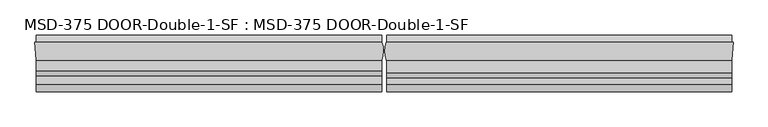
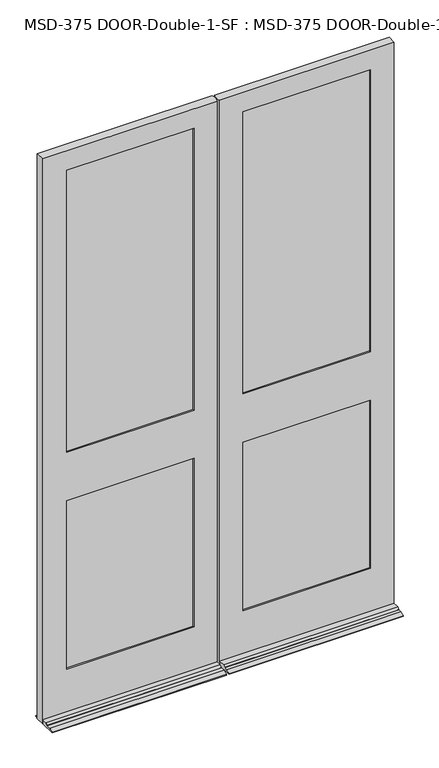
"""IFC4 building model written with IfcOpenShell, lengths in millimetres: plate geometry, MSD-375 DOOR-Double-1-SF : MSD-375 DOOR-Double-1-SF."""

from ifc_helpers import new_model, si_unit, frame, origin, place, context, project, spatial, polyline, circle_curve, outline, extrude, source, transform, mapped, element, save
from ifc_brep_helpers import plane_surface, cylinder_surface, advanced_brep


def msd_375_door_double_1_sf_msd_375_door_double_1_sf_9dd12433(model_context):
    return source(origin(), model_context, "Body", "SolidModel", [
        advanced_brep(
        [(-875.054504, -44.45, 0.0), (-877.823104, 0.0, 0.0), (-874.8316614, 0.0, 0.0), (-874.8316614, 19.05, 0.0), (-6.1450388, 19.05, 0.0), (-6.1450388, 0.0, 0.0), (-5.5889985, 0.0, 0.0), (-6.1450388, -44.45, 0.0), (-6.1450388, -123.825, 0.0), (-874.8316614, -123.825, 0.0), (-874.8316614, -44.45, 0.0), (-6.1450388, -44.45, 21.4376), (-6.1450388, -70.3199, 21.4376), (-6.1450388, -82.7405, 14.2748), (-6.1450388, -82.7405, 12.7), (-6.1450388, -104.775, 12.7), (-6.1450388, -123.825, 3.175), (-6.1450388, 19.05, 3.175), (-6.1450388, 0.0, 12.7), (-874.8316614, 0.0, 12.7), (-874.8316614, 19.05, 3.175), (-874.8316614, -123.825, 3.175), (-874.8316614, -104.775, 12.7), (-874.8316614, -82.7405, 12.7), (-874.8316614, -82.7405, 14.2748), (-874.8316614, -70.3199, 21.4376), (-874.8316614, -44.45, 21.4376), (-122.2373508, -11.6078, 1366.0374), (-122.2373508, -37.0078, 1366.0374), (-122.2373508, -37.0078, 1151.7122), (-122.2373508, -11.6078, 1151.7122), (-122.2373508, 0.0, 1131.8748), (-122.2373508, 0.0, 246.0625), (-122.2373508, -11.6078, 246.0625), (-122.2373508, -11.6078, 1131.8748), (-122.2373508, -11.6078, 1385.8748), (-122.2373508, -11.6078, 2870.2), (-122.2373508, 0.0, 2870.2), (-122.2373508, 0.0, 1385.8748), (-102.3999508, -37.0078, 2890.0374), (-102.3999508, -11.6078, 2890.0374), (-102.3999508, -11.6078, 226.21875), (-102.3999508, -37.0078, 226.21875), (-122.2373508, -37.0078, 1131.8748), (-122.2373508, -37.0078, 246.0625), (-122.2373508, -44.45, 246.0625), (-122.2373508, -44.45, 1131.8748), (-122.2373508, -44.45, 1385.8748), (-122.2373508, -44.45, 2870.2), (-122.2373508, -37.0078, 2870.2), (-122.2373508, -37.0078, 1385.8748), (-757.173104, -44.45, 246.0625), (-757.173104, -37.0078, 246.0625), (-757.173104, -37.0078, 1131.8748), (-757.173104, -44.45, 1131.8748), (-757.173104, -37.0078, 2870.2), (-757.173104, -44.45, 2870.2), (-757.173104, -44.45, 1385.8748), (-757.173104, -37.0078, 1385.8748), (-777.010504, -11.6078, 2890.0374), (-777.010504, -37.0078, 2890.0374), (-777.010504, -37.0078, 226.21875), (-777.010504, -11.6078, 226.21875), (-757.173104, -11.6078, 246.0625), (-757.173104, 0.0, 246.0625), (-757.173104, 0.0, 1131.8748), (-757.173104, -11.6078, 1131.8748), (-757.173104, 0.0, 2870.2), (-757.173104, -11.6078, 2870.2), (-757.173104, -11.6078, 1385.8748), (-757.173104, 0.0, 1385.8748), (-757.173104, -11.6078, 1366.0374), (-757.173104, -37.0078, 1366.0374), (-757.173104, -37.0078, 1151.7122), (-757.173104, -11.6078, 1151.7122), (-5.5889985, 0.0, 2971.8), (-6.1450388, -44.45, 2971.8), (-875.054504, -44.45, 2971.8), (-877.823104, 0.0, 2971.8)],
        [
            (0, 1),
            (1, 2),
            (2, 3),
            (3, 4),
            (4, 5),
            (5, 6),
            (6, 7, circle_curve(frame((-61.4514685, -21.529675, 0.0), z_axis=(0.0, 0.0, -1.0), x_axis=(0.0, -1.0, 0.0)), 59.867708)),
            (7, 8),
            (8, 9),
            (9, 10),
            (10, 0),
            (11, 12),
            (12, 13),
            (13, 14),
            (14, 15),
            (15, 16),
            (16, 8),
            (7, 11),
            (4, 17),
            (17, 18),
            (18, 5),
            (19, 20),
            (20, 3),
            (2, 19),
            (9, 21),
            (21, 22),
            (22, 23),
            (23, 24),
            (24, 25),
            (25, 26),
            (26, 10),
            (27, 28),
            (28, 29),
            (29, 30),
            (30, 27),
            (31, 32),
            (32, 33),
            (33, 34),
            (34, 31),
            (35, 36),
            (36, 37),
            (37, 38),
            (38, 35),
            (39, 40),
            (40, 41),
            (41, 42),
            (42, 39),
            (43, 44),
            (44, 45),
            (45, 46),
            (46, 43),
            (47, 48),
            (48, 49),
            (49, 50),
            (50, 47),
            (51, 52),
            (52, 53),
            (53, 54),
            (54, 51),
            (55, 56),
            (56, 57),
            (57, 58),
            (58, 55),
            (59, 60),
            (60, 61),
            (61, 62),
            (62, 59),
            (63, 64),
            (64, 65),
            (65, 66),
            (66, 63),
            (67, 68),
            (68, 69),
            (69, 70),
            (70, 67),
            (63, 33),
            (32, 64),
            (61, 42),
            (41, 62),
            (51, 45),
            (44, 52),
            (11, 26),
            (25, 12),
            (24, 13),
            (23, 14),
            (22, 15),
            (21, 16),
            (20, 17),
            (19, 18),
            (38, 70),
            (69, 35),
            (27, 71),
            (71, 72),
            (72, 28),
            (50, 58),
            (57, 47),
            (46, 54),
            (53, 43),
            (29, 73),
            (73, 74),
            (74, 30),
            (34, 66),
            (65, 31),
            (75, 76, circle_curve(frame((-61.4514685, -21.529675, 2971.8), z_axis=(0.0, 0.0, -1.0), x_axis=(0.0, -1.0, 0.0)), 59.867708)),
            (76, 11),
            (6, 75),
            (77, 78),
            (78, 1),
            (0, 77),
            (78, 75),
            (37, 67),
            (36, 68),
            (40, 59),
            (74, 71),
            (39, 60),
            (49, 55),
            (72, 73),
            (48, 56),
            (76, 77),
        ],
        [
            plane_surface(frame((-882.6502713, -24.3078, 0.0), z_axis=(0.0, 0.0, -1.0), x_axis=(0.0, -1.0, 0.0))),
            plane_surface(frame((-6.1450388, -24.3078, 0.0), z_axis=(1.0, 0.0, 0.0), x_axis=(0.0, -1.0, 0.0))),
            plane_surface(frame((-874.8316614, -24.3078, 0.0), z_axis=(-1.0, 0.0, 0.0), x_axis=(0.0, -1.0, 0.0))),
            plane_surface(frame((-122.2373508, -24.3078, 1492.25), z_axis=(1.0, 0.0, 0.0), x_axis=(0.0, -1.0, 0.0))),
            plane_surface(frame((-122.2373508, 0.0, 2971.8), z_axis=(-1.0, 0.0, 0.0), x_axis=(0.0, 0.0, -1.0))),
            plane_surface(frame((-102.3999508, -11.6078, 2971.8), z_axis=(-1.0, 0.0, 0.0), x_axis=(0.0, 0.0, -1.0))),
            plane_surface(frame((-122.2373508, -37.0078, 2971.8), z_axis=(-1.0, 0.0, 0.0), x_axis=(0.0, 0.0, -1.0))),
            plane_surface(frame((-757.173104, -44.45, 2971.8), z_axis=(1.0, 0.0, 0.0), x_axis=(0.0, 0.0, -1.0))),
            plane_surface(frame((-777.010504, -37.0078, 2971.8), z_axis=(1.0, 0.0, 0.0), x_axis=(0.0, 0.0, -1.0))),
            plane_surface(frame((-757.173104, -11.6078, 2971.8), z_axis=(1.0, 0.0, 0.0), x_axis=(0.0, 0.0, -1.0))),
            plane_surface(frame((-6.1450388, 0.0, 246.0625), z_axis=(0.0, 0.0, 1.0), x_axis=(-1.0, 0.0, 0.0))),
            plane_surface(frame((-6.1450388, -11.6078, 226.21875), z_axis=(0.0, 0.0, 1.0), x_axis=(-1.0, 0.0, 0.0))),
            plane_surface(frame((-6.1450388, -37.0078, 246.0625), z_axis=(0.0, 0.0, 1.0), x_axis=(-1.0, 0.0, 0.0))),
            plane_surface(frame((-6.1450388, -44.45, 21.4376), z_axis=(0.0, 0.0, 1.0), x_axis=(-1.0, 0.0, 0.0))),
            plane_surface(frame((-6.1450388, -70.3199, 21.4376), z_axis=(0.0, -0.499569084188723, 0.8662740502420933), x_axis=(-1.0, 0.0, 0.0))),
            plane_surface(frame((-6.1450388, -82.7405, 14.2748), z_axis=(0.0, -1.0, 0.0), x_axis=(-1.0, 0.0, 0.0))),
            plane_surface(frame((-6.1450388, -82.7405, 12.7), z_axis=(0.0, 0.0, 1.0), x_axis=(-1.0, 0.0, 0.0))),
            plane_surface(frame((-6.1450388, -104.775, 12.7), z_axis=(0.0, -0.44721359549995665, 0.8944271909999165), x_axis=(-1.0, 0.0, 0.0))),
            plane_surface(frame((-6.1450388, -123.825, 3.175), z_axis=(0.0, -1.0, 0.0), x_axis=(-1.0, 0.0, 0.0))),
            plane_surface(frame((-6.1450388, 19.05, 0.0), z_axis=(0.0, 1.0, 0.0), x_axis=(-1.0, 0.0, 0.0))),
            plane_surface(frame((-6.1450388, 19.05, 3.175), z_axis=(0.0, 0.4472135954998658, 0.8944271909999619), x_axis=(-1.0, 0.0, 0.0))),
            plane_surface(frame((-122.2373508, 0.0, 1385.8748), z_axis=(0.0, 0.0, 1.0), x_axis=(-1.0, 0.0, 0.0))),
            plane_surface(frame((-122.2373508, -11.6078, 1366.0374), z_axis=(0.0, 0.0, 1.0), x_axis=(-1.0, 0.0, 0.0))),
            plane_surface(frame((-122.2373508, -37.0078, 1385.8748), z_axis=(0.0, 0.0, 1.0), x_axis=(-1.0, 0.0, 0.0))),
            plane_surface(frame((-122.2373508, -44.45, 1131.8748), z_axis=(0.0, 0.0, -1.0), x_axis=(-1.0, 0.0, 0.0))),
            plane_surface(frame((-122.2373508, -37.0078, 1151.7122), z_axis=(0.0, 0.0, -1.0), x_axis=(-1.0, 0.0, 0.0))),
            plane_surface(frame((-122.2373508, -11.6078, 1131.8748), z_axis=(0.0, 0.0, -1.0), x_axis=(-1.0, 0.0, 0.0))),
            cylinder_surface(frame((-61.4514685, -21.529675, 2971.8), z_axis=(0.0, 0.0, 1.0), x_axis=(0.0, -1.0, 0.0)), 59.867708),
            plane_surface(frame((-877.823104, 0.0, 2971.8), z_axis=(-0.9980658706879192, -0.06216524565998223, 0.0), x_axis=(0.0, 0.0, -1.0))),
            plane_surface(frame((-875.054504, 0.0, 2971.8), z_axis=(0.0, 1.0, 0.0), x_axis=(1.0, 0.0, 0.0))),
            plane_surface(frame((-875.054504, 0.0, 2870.2), z_axis=(0.0, 0.0, -1.0), x_axis=(1.0, 0.0, 0.0))),
            plane_surface(frame((-875.054504, -11.6078, 2870.2), z_axis=(0.0, -1.0, 0.0), x_axis=(1.0, 0.0, 0.0))),
            plane_surface(frame((-875.054504, -11.6078, 2890.0374), z_axis=(0.0, 0.0, -1.0), x_axis=(1.0, 0.0, 0.0))),
            plane_surface(frame((-875.054504, -37.0078, 2890.0374), z_axis=(0.0, 1.0, 0.0), x_axis=(1.0, 0.0, 0.0))),
            plane_surface(frame((-875.054504, -37.0078, 2870.2), z_axis=(0.0, 0.0, -1.0), x_axis=(1.0, 0.0, 0.0))),
            plane_surface(frame((-875.054504, -44.45, 2870.2), z_axis=(0.0, -1.0, 0.0), x_axis=(1.0, 0.0, 0.0))),
            plane_surface(frame((-875.054504, -44.45, 2971.8), z_axis=(0.0, 0.0, 1.0), x_axis=(1.0, 0.0, 0.0))),
            plane_surface(frame((-757.173104, -24.3078, 1492.25), z_axis=(-1.0, 0.0, 0.0), x_axis=(0.0, -1.0, 0.0))),
        ],
        [
            (0, [[1, 2, 3, 4, 5, 6, 7, 8, 9, 10, 11]]),
            (1, [[12, 13, 14, 15, 16, 17, -8, 18]]),
            (1, [[19, 20, 21, -5]]),
            (2, [[22, 23, -3, 24]]),
            (2, [[25, 26, 27, 28, 29, 30, 31, -10]]),
            (3, [[32, 33, 34, 35]]),
            (4, [[36, 37, 38, 39]]),
            (4, [[40, 41, 42, 43]]),
            (5, [[44, 45, 46, 47]]),
            (6, [[48, 49, 50, 51]]),
            (6, [[52, 53, 54, 55]]),
            (7, [[56, 57, 58, 59]]),
            (7, [[60, 61, 62, 63]]),
            (8, [[64, 65, 66, 67]]),
            (9, [[68, 69, 70, 71]]),
            (9, [[72, 73, 74, 75]]),
            (10, [[-68, 76, -37, 77]]),
            (11, [[-66, 78, -46, 79]]),
            (12, [[-56, 80, -49, 81]]),
            (13, [[-12, 82, -30, 83]]),
            (14, [[-13, -83, -29, 84]]),
            (15, [[-14, -84, -28, 85]]),
            (16, [[-15, -85, -27, 86]]),
            (17, [[-16, -86, -26, 87]]),
            (18, [[-17, -87, -25, -9]]),
            (19, [[-19, -4, -23, 88]]),
            (20, [[-20, -88, -22, 89]]),
            (21, [[90, -74, 91, -43]]),
            (22, [[-32, 92, 93, 94]]),
            (23, [[95, -62, 96, -55]]),
            (24, [[97, -58, 98, -51]]),
            (25, [[-34, 99, 100, 101]]),
            (26, [[102, -70, 103, -39]]),
            (27, [[104, 105, -18, -7, 106]]),
            (28, [[107, 108, -1, 109]]),
            (29, [[-108, 110, -106, -6, -21, -89, -24, -2], [-90, -42, 111, -75], [-103, -69, -77, -36]]),
            (30, [[-72, -111, -41, 112]]),
            (31, [[-67, -79, -45, 113], [-92, -35, -101, 114], [-102, -38, -76, -71], [-91, -73, -112, -40]]),
            (32, [[-64, -113, -44, 115]]),
            (33, [[-65, -115, -47, -78], [-95, -54, 116, -63], [-94, 117, -99, -33], [-98, -57, -81, -48]]),
            (34, [[-60, -116, -53, 118]]),
            (35, [[-109, -11, -31, -82, -105, 119], [-97, -50, -80, -59], [-96, -61, -118, -52]]),
            (36, [[-107, -119, -104, -110]]),
            (37, [[-100, -117, -93, -114]]),
        ],
    ),
        advanced_brep(
        [(6.1450388, -44.45, 0.0), (5.5889985, 0.0, 0.0), (6.1450388, 0.0, 0.0), (6.1450388, 19.05, 0.0), (874.3190707, 19.05, 0.0), (874.3190707, 0.0, 0.0), (877.3105133, 0.0, 0.0), (874.5419133, -44.45, 0.0), (874.3190707, -44.45, 0.0), (874.3190707, -123.825, 0.0), (6.1450388, -123.825, 0.0), (874.3190707, -44.45, 21.4376), (874.3190707, -75.87615, 21.4376), (874.3190707, -88.29675, 14.2748), (874.3190707, -88.29675, 12.7), (874.3190707, -104.775, 12.7), (874.3190707, -123.825, 3.175), (874.3190707, 19.05, 3.175), (874.3190707, 0.0, 12.7), (6.1450388, 0.0, 12.7), (6.1450388, 19.05, 3.175), (6.1450388, -123.825, 3.175), (6.1450388, -104.775, 12.7), (6.1450388, -88.29675, 12.7), (6.1450388, -88.29675, 14.2748), (6.1450388, -75.87615, 21.4376), (6.1450388, -44.45, 21.4376), (5.5889985, -44.45, 2870.2), (5.5889985, -44.45, 2971.8), (5.5889985, -43.05935, 2971.8), (5.5889985, -43.05935, 2870.2), (122.2376492, -37.0078, 1366.0374), (122.2376492, -11.6078, 1366.0374), (122.2376492, -11.6078, 1151.7249), (122.2376492, -37.0078, 1151.7249), (122.2376492, -37.0078, 2870.2), (122.2376492, -44.45, 2870.2), (122.2376492, -44.45, 1385.8748), (122.2376492, -37.0078, 1385.8748), (122.2376492, -37.0078, 1131.8748), (122.2376492, -44.45, 1131.8748), (122.2376492, -44.45, 246.0625), (122.2376492, -37.0078, 246.0625), (102.4002492, -11.6078, 226.21875), (102.4002492, -11.6078, 2890.0374), (102.4002492, -37.0078, 2890.0374), (102.4002492, -37.0078, 226.21875), (122.2376492, 0.0, 2870.2), (122.2376492, -11.6078, 2870.2), (122.2376492, -11.6078, 1385.8748), (122.2376492, 0.0, 1385.8748), (122.2376492, 0.0, 1131.8748), (122.2376492, -11.6078, 1131.8748), (122.2376492, -11.6078, 246.0625), (122.2376492, 0.0, 246.0625), (756.6605133, -11.6078, 2870.2), (756.6605133, 0.0, 2870.2), (756.6605133, 0.0, 1385.8748), (756.6605133, -11.6078, 1385.8748), (756.6605133, -11.6078, 1131.8748), (756.6605133, 0.0, 1131.8748), (756.6605133, 0.0, 246.0625), (756.6605133, -11.6078, 246.0625), (776.4979133, -11.6078, 2890.0374), (776.4979133, -11.6078, 226.21875), (756.6605133, -11.6078, 1151.7249), (756.6605133, -11.6078, 1366.0374), (776.4979133, -37.0078, 226.21875), (776.4979133, -37.0078, 2890.0374), (756.6605133, -37.0078, 246.0625), (756.6605133, -37.0078, 1131.8748), (756.6605133, -37.0078, 2870.2), (756.6605133, -37.0078, 1385.8748), (756.6605133, -37.0078, 1151.7249), (756.6605133, -37.0078, 1366.0374), (756.6605133, -44.45, 2870.2), (756.6605133, -44.45, 1385.8748), (756.6605133, -44.45, 1131.8748), (756.6605133, -44.45, 246.0625), (6.1450388, -44.45, 2870.2), (874.5419133, -44.45, 2971.8), (877.3105133, 0.0, 2971.8), (5.5889985, 0.0, 2971.8)],
        [
            (0, 1, circle_curve(frame((61.4514685, -21.529675, 0.0), z_axis=(0.0, 0.0, -1.0), x_axis=(0.0, -1.0, 0.0)), 59.867708)),
            (1, 2),
            (2, 3),
            (3, 4),
            (4, 5),
            (5, 6),
            (6, 7),
            (7, 8),
            (8, 9),
            (9, 10),
            (10, 0),
            (11, 12),
            (12, 13),
            (13, 14),
            (14, 15),
            (15, 16),
            (16, 9),
            (8, 11),
            (4, 17),
            (17, 18),
            (18, 5),
            (19, 20),
            (20, 3),
            (2, 19),
            (10, 21),
            (21, 22),
            (22, 23),
            (23, 24),
            (24, 25),
            (25, 26),
            (26, 0),
            (27, 28),
            (28, 29),
            (29, 30),
            (30, 27),
            (31, 32),
            (32, 33),
            (33, 34),
            (34, 31),
            (35, 36),
            (36, 37),
            (37, 38),
            (38, 35),
            (39, 40),
            (40, 41),
            (41, 42),
            (42, 39),
            (43, 44),
            (44, 45),
            (45, 46),
            (46, 43),
            (47, 48),
            (48, 49),
            (49, 50),
            (50, 47),
            (51, 52),
            (52, 53),
            (53, 54),
            (54, 51),
            (55, 56),
            (56, 57),
            (57, 58),
            (58, 55),
            (59, 60),
            (60, 61),
            (61, 62),
            (62, 59),
            (63, 44),
            (43, 64),
            (64, 63),
            (62, 53),
            (52, 59),
            (48, 55),
            (58, 49),
            (65, 33),
            (32, 66),
            (66, 65),
            (67, 68),
            (68, 63),
            (64, 67),
            (45, 68),
            (67, 46),
            (42, 69),
            (69, 70),
            (70, 39),
            (71, 35),
            (38, 72),
            (72, 71),
            (34, 73),
            (73, 74),
            (74, 31),
            (75, 71),
            (72, 76),
            (76, 75),
            (77, 70),
            (69, 78),
            (78, 77),
            (27, 79),
            (79, 26),
            (26, 11),
            (7, 80),
            (80, 28),
            (78, 41),
            (40, 77),
            (36, 75),
            (76, 37),
            (81, 80),
            (6, 81),
            (18, 19),
            (1, 82),
            (82, 81),
            (54, 61),
            (60, 51),
            (56, 47),
            (50, 57),
            (30, 79, circle_curve(frame((61.4514685, -21.529675, 2870.2), z_axis=(0.0, 0.0, 1.0), x_axis=(0.0, -1.0, 0.0)), 59.867708)),
            (25, 12),
            (65, 73),
            (74, 66),
            (29, 82, circle_curve(frame((61.4514685, -21.529675, 2971.8), z_axis=(0.0, 0.0, -1.0), x_axis=(0.0, -1.0, 0.0)), 59.867708)),
            (24, 13),
            (23, 14),
            (22, 15),
            (21, 16),
            (20, 17),
        ],
        [
            plane_surface(frame((-882.6502713, -24.3078, 0.0), z_axis=(0.0, 0.0, -1.0), x_axis=(0.0, -1.0, 0.0))),
            plane_surface(frame((874.3190707, -24.3078, 0.0), z_axis=(1.0, 0.0, 0.0), x_axis=(0.0, -1.0, 0.0))),
            plane_surface(frame((6.1450388, -24.3078, 0.0), z_axis=(-1.0, 0.0, 0.0), x_axis=(0.0, -1.0, 0.0))),
            plane_surface(frame((5.5889985, -24.3078, 2984.5), z_axis=(-1.0, 0.0, 0.0), x_axis=(0.0, -1.0, 0.0))),
            plane_surface(frame((122.2376492, -24.3078, 1492.25), z_axis=(-1.0, 0.0, 0.0), x_axis=(0.0, -1.0, 0.0))),
            plane_surface(frame((122.2376492, -44.45, 2971.8), z_axis=(1.0, 0.0, 0.0), x_axis=(0.0, 0.0, -1.0))),
            plane_surface(frame((102.4002492, -37.0078, 2971.8), z_axis=(1.0, 0.0, 0.0), x_axis=(0.0, 0.0, -1.0))),
            plane_surface(frame((122.2376492, -11.6078, 2971.8), z_axis=(1.0, 0.0, 0.0), x_axis=(0.0, 0.0, -1.0))),
            plane_surface(frame((756.6605133, 0.0, 2971.8), z_axis=(-1.0, 0.0, 0.0), x_axis=(0.0, 0.0, -1.0))),
            plane_surface(frame((756.6605133, -11.6078, 2971.8), z_axis=(0.0, -1.0, 0.0), x_axis=(0.0, 0.0, -1.0))),
            plane_surface(frame((776.4979133, -11.6078, 2971.8), z_axis=(-1.0, 0.0, 0.0), x_axis=(0.0, 0.0, -1.0))),
            plane_surface(frame((776.4979133, -37.0078, 2971.8), z_axis=(0.0, 1.0, 0.0), x_axis=(0.0, 0.0, -1.0))),
            plane_surface(frame((756.6605133, -37.0078, 2971.8), z_axis=(-1.0, 0.0, 0.0), x_axis=(0.0, 0.0, -1.0))),
            plane_surface(frame((756.6605133, -44.45, 2971.8), z_axis=(0.0, -1.0, 0.0), x_axis=(0.0, 0.0, -1.0))),
            plane_surface(frame((874.5419133, -44.45, 2971.8), z_axis=(0.9980658706879184, -0.062165245659993755, 0.0), x_axis=(0.0, 0.0, -1.0))),
            plane_surface(frame((877.3105133, 0.0, 2971.8), z_axis=(0.0, 1.0, 0.0), x_axis=(0.0, 0.0, -1.0))),
            plane_surface(frame((5.5889985, 0.0, 2870.2), z_axis=(0.0, 0.0, -1.0), x_axis=(1.0, 0.0, 0.0))),
            plane_surface(frame((5.5889985, -11.6078, 2890.0374), z_axis=(0.0, 0.0, -1.0), x_axis=(1.0, 0.0, 0.0))),
            plane_surface(frame((5.5889985, -37.0078, 2870.2), z_axis=(0.0, 0.0, -1.0), x_axis=(1.0, 0.0, 0.0))),
            plane_surface(frame((874.3190707, 0.0, 246.0625), z_axis=(0.0, 0.0, 1.0), x_axis=(-1.0, 0.0, 0.0))),
            plane_surface(frame((874.3190707, -11.6078, 226.21875), z_axis=(0.0, 0.0, 1.0), x_axis=(-1.0, 0.0, 0.0))),
            plane_surface(frame((874.3190707, -37.0078, 246.0625), z_axis=(0.0, 0.0, 1.0), x_axis=(-1.0, 0.0, 0.0))),
            plane_surface(frame((874.3190707, -44.45, 21.4376), z_axis=(0.0, 0.0, 1.0), x_axis=(-1.0, 0.0, 0.0))),
            plane_surface(frame((756.6605133, -44.45, 1131.8748), z_axis=(0.0, 0.0, -1.0), x_axis=(-1.0, 0.0, 0.0))),
            plane_surface(frame((756.6605133, -37.0078, 1151.7249), z_axis=(0.0, 0.0, -1.0), x_axis=(-1.0, 0.0, 0.0))),
            plane_surface(frame((756.6605133, -11.6078, 1131.8748), z_axis=(0.0, 0.0, -1.0), x_axis=(-1.0, 0.0, 0.0))),
            plane_surface(frame((756.6605133, 0.0, 1385.8748), z_axis=(0.0, 0.0, 1.0), x_axis=(-1.0, 0.0, 0.0))),
            plane_surface(frame((756.6605133, -11.6078, 1366.0374), z_axis=(0.0, 0.0, 1.0), x_axis=(-1.0, 0.0, 0.0))),
            plane_surface(frame((756.6605133, -37.0078, 1385.8748), z_axis=(0.0, 0.0, 1.0), x_axis=(-1.0, 0.0, 0.0))),
            cylinder_surface(frame((61.4514685, -21.529675, 2971.8), z_axis=(0.0, 0.0, 1.0), x_axis=(0.0, -1.0, 0.0)), 59.867708),
            plane_surface(frame((-875.054504, -44.45, 2971.8), z_axis=(0.0, 0.0, 1.0), x_axis=(1.0, 0.0, 0.0))),
            plane_surface(frame((874.3190707, -75.87615, 21.4376), z_axis=(0.0, -0.49956908418867013, 0.8662740502421237), x_axis=(-1.0, 0.0, 0.0))),
            plane_surface(frame((874.3190707, -88.29675, 14.2748), z_axis=(0.0, -1.0, 0.0), x_axis=(-1.0, 0.0, 0.0))),
            plane_surface(frame((874.3190707, -88.29675, 12.7), z_axis=(0.0, 0.0, 1.0), x_axis=(-1.0, 0.0, 0.0))),
            plane_surface(frame((874.3190707, -104.775, 12.7), z_axis=(0.0, -0.44721359549996115, 0.8944271909999144), x_axis=(-1.0, 0.0, 0.0))),
            plane_surface(frame((874.3190707, -123.825, 3.175), z_axis=(0.0, -1.0, 0.0), x_axis=(-1.0, 0.0, 0.0))),
            plane_surface(frame((874.3190707, 19.05, 0.0), z_axis=(0.0, 1.0, 0.0), x_axis=(-1.0, 0.0, 0.0))),
            plane_surface(frame((874.3190707, 19.05, 3.175), z_axis=(0.0, 0.4472135954999116, 0.8944271909999391), x_axis=(-1.0, 0.0, 0.0))),
            plane_surface(frame((756.6605133, -24.3078, 1492.25), z_axis=(1.0, 0.0, 0.0), x_axis=(0.0, -1.0, 0.0))),
        ],
        [
            (0, [[1, 2, 3, 4, 5, 6, 7, 8, 9, 10, 11]]),
            (1, [[12, 13, 14, 15, 16, 17, -9, 18]]),
            (1, [[19, 20, 21, -5]]),
            (2, [[22, 23, -3, 24]]),
            (2, [[25, 26, 27, 28, 29, 30, 31, -11]]),
            (3, [[32, 33, 34, 35]]),
            (4, [[36, 37, 38, 39]]),
            (5, [[40, 41, 42, 43]]),
            (5, [[44, 45, 46, 47]]),
            (6, [[48, 49, 50, 51]]),
            (7, [[52, 53, 54, 55]]),
            (7, [[56, 57, 58, 59]]),
            (8, [[60, 61, 62, 63]]),
            (8, [[64, 65, 66, 67]]),
            (9, [[68, -48, 69, 70], [-67, 71, -57, 72], [73, -63, 74, -53], [75, -37, 76, 77]]),
            (10, [[78, 79, -70, 80]]),
            (11, [[81, -78, 82, -50], [-47, 83, 84, 85], [86, -43, 87, 88], [89, 90, 91, -39]]),
            (12, [[92, -88, 93, 94]]),
            (12, [[95, -84, 96, 97]]),
            (13, [[-32, 98, 99, 100, -18, -8, 101, 102], [-97, 103, -45, 104], [105, -94, 106, -41]]),
            (14, [[107, -101, -7, 108]]),
            (15, [[-108, -6, -21, 109, -24, -2, 110, 111], [-59, 112, -65, 113], [114, -55, 115, -61]]),
            (16, [[-73, -52, -114, -60]]),
            (17, [[-79, -81, -49, -68]]),
            (18, [[-98, -35, 116]]),
            (18, [[-105, -40, -86, -92]]),
            (19, [[-112, -58, -71, -66]]),
            (20, [[-82, -80, -69, -51]]),
            (21, [[-83, -46, -103, -96]]),
            (22, [[-12, -100, -30, 117]]),
            (23, [[-104, -44, -85, -95]]),
            (24, [[118, -89, -38, -75]]),
            (25, [[-72, -56, -113, -64]]),
            (26, [[-115, -54, -74, -62]]),
            (27, [[119, -76, -36, -91]]),
            (28, [[-106, -93, -87, -42]]),
            (29, [[-1, -31, -99, -116, -34, 120, -110]]),
            (30, [[-107, -111, -120, -33, -102]]),
            (31, [[-13, -117, -29, 121]]),
            (32, [[-14, -121, -28, 122]]),
            (33, [[-15, -122, -27, 123]]),
            (34, [[-16, -123, -26, 124]]),
            (35, [[-17, -124, -25, -10]]),
            (36, [[-19, -4, -23, 125]]),
            (37, [[-109, -20, -125, -22]]),
            (38, [[-118, -77, -119, -90]]),
        ],
    ),
        extrude(outline(polyline([(-777.010504, -11.6078), (-102.4001, -11.6078), (-102.4001, -16.6878), (-777.010504, -16.6878), (-777.010504, -11.6078)])), frame((0.0, 0.0, 226.21875), z_axis=(0.0, 0.0, 1.0), x_axis=(1.0, 0.0, 0.0)), (0.0, 0.0, 1.0), 925.50615),
        extrude(outline(polyline([(-102.4001, -26.0858), (-102.4001, -31.1658), (-777.010504, -31.1658), (-777.010504, -26.0858), (-102.4001, -26.0858)])), frame((0.0, 0.0, 226.21875), z_axis=(0.0, 0.0, 1.0), x_axis=(1.0, 0.0, 0.0)), (0.0, 0.0, 1.0), 925.50615),
        extrude(outline(polyline([(-777.010504, -31.9278), (-102.4001, -31.9278), (-102.4001, -37.0078), (-777.010504, -37.0078), (-777.010504, -31.9278)])), frame((0.0, 0.0, 226.21875), z_axis=(0.0, 0.0, 1.0), x_axis=(1.0, 0.0, 0.0)), (0.0, 0.0, 1.0), 925.50615),
        extrude(outline(polyline([(102.4002492, -11.6078), (776.4979133, -11.6078), (776.4979133, -16.6878), (102.4002492, -16.6878), (102.4002492, -11.6078)])), frame((0.0, 0.0, 226.21875), z_axis=(0.0, 0.0, 1.0), x_axis=(1.0, 0.0, 0.0)), (0.0, 0.0, 1.0), 925.50615),
        extrude(outline(polyline([(776.4979133, -26.0858), (776.4979133, -31.1658), (102.4002492, -31.1658), (102.4002492, -26.0858), (776.4979133, -26.0858)])), frame((0.0, 0.0, 226.21875), z_axis=(0.0, 0.0, 1.0), x_axis=(1.0, 0.0, 0.0)), (0.0, 0.0, 1.0), 925.50615),
        extrude(outline(polyline([(102.4002492, -31.9278), (776.4979133, -31.9278), (776.4979133, -37.0078), (102.4002492, -37.0078), (102.4002492, -31.9278)])), frame((0.0, 0.0, 226.21875), z_axis=(0.0, 0.0, 1.0), x_axis=(1.0, 0.0, 0.0)), (0.0, 0.0, 1.0), 925.50615),
        extrude(outline(polyline([(-777.010504, -11.6078), (-102.3999508, -11.6078), (-102.3999508, -16.6878), (-777.010504, -16.6878), (-777.010504, -11.6078)])), frame((0.0, 0.0, 1366.0374), z_axis=(0.0, 0.0, 1.0), x_axis=(1.0, 0.0, 0.0)), (0.0, 0.0, 1.0), 1524.0),
        extrude(outline(polyline([(-102.4001, -26.0858), (-102.4001, -31.1658), (-777.010504, -31.1658), (-777.010504, -26.0858), (-102.4001, -26.0858)])), frame((0.0, 0.0, 1366.0374), z_axis=(0.0, 0.0, 1.0), x_axis=(1.0, 0.0, 0.0)), (0.0, 0.0, 1.0), 1524.0),
        extrude(outline(polyline([(-102.4001, -31.9278), (-102.4001, -37.0078), (-777.010504, -37.0078), (-777.010504, -31.9278), (-102.4001, -31.9278)])), frame((0.0, 0.0, 1366.0374), z_axis=(0.0, 0.0, 1.0), x_axis=(1.0, 0.0, 0.0)), (0.0, 0.0, 1.0), 1524.0),
        extrude(outline(polyline([(776.4979133, -11.6078), (776.4979133, -16.6878), (102.4002492, -16.6878), (102.4002492, -11.6078), (776.4979133, -11.6078)])), frame((0.0, 0.0, 1366.0374), z_axis=(0.0, 0.0, 1.0), x_axis=(1.0, 0.0, 0.0)), (0.0, 0.0, 1.0), 1524.0),
        extrude(outline(polyline([(102.4002492, -26.0858), (776.4979133, -26.0858), (776.4979133, -31.1658), (102.4002492, -31.1658), (102.4002492, -26.0858)])), frame((0.0, 0.0, 1366.0374), z_axis=(0.0, 0.0, 1.0), x_axis=(1.0, 0.0, 0.0)), (0.0, 0.0, 1.0), 1524.0),
        extrude(outline(polyline([(776.4979133, -31.9278), (776.4979133, -37.0078), (102.4002492, -37.0078), (102.4002492, -31.9278), (776.4979133, -31.9278)])), frame((0.0, 0.0, 1366.0374), z_axis=(0.0, 0.0, 1.0), x_axis=(1.0, 0.0, 0.0)), (0.0, 0.0, 1.0), 1524.0),
    ])


if __name__ == "__main__":
    model = new_model("IFC4")
    model_context = context("Model", 3, world=origin())
    ifc_project = project(units=[si_unit("LENGTHUNIT", "METRE", prefix="MILLI")], contexts=[model_context])
    site = spatial("IfcSite", under=ifc_project)
    building = spatial("IfcBuilding", under=site)
    placement = place(None, origin())
    msd_375_door_double_1_sf_msd_375_door_double_1_sf_shape = msd_375_door_double_1_sf_msd_375_door_double_1_sf_9dd12433(model_context)
    element("IfcPlate", 1, ObjectType="MSD-375 DOOR-Double-1-SF : MSD-375 DOOR-Double-1-SF", at=placement, inside=building, context=model_context, shape_type="MappedRepresentation", body=[
        mapped(msd_375_door_double_1_sf_msd_375_door_double_1_sf_shape, transform((0.0, 0.0, 0.0), x_axis=(1.0, 0.0, 0.0), y_axis=(0.0, 1.0, 0.0), z_axis=(0.0, 0.0, 1.0))),
    ])
    save(model, "model.ifc")
